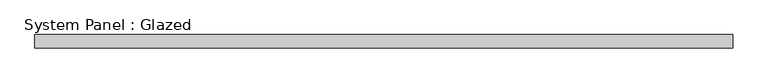
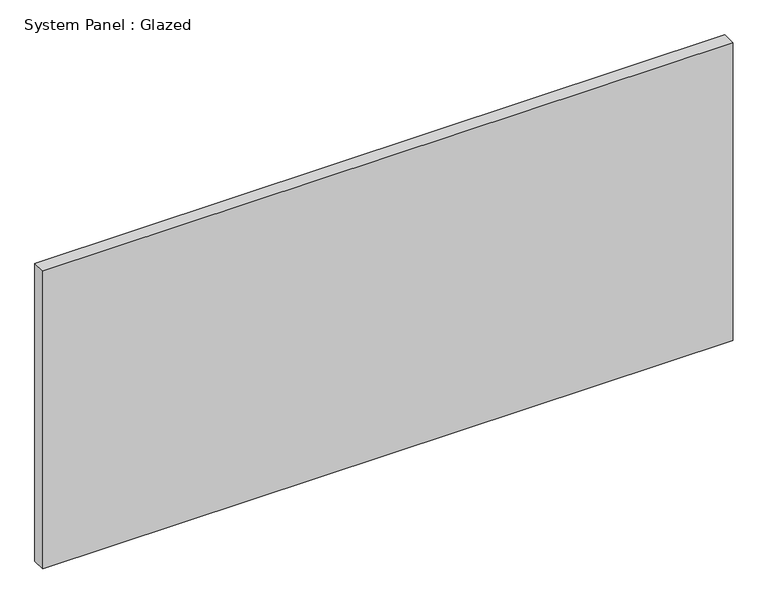
"""IFC4 building model written with IfcOpenShell, lengths in millimetres: plate geometry, System Panel : Glazed."""

from ifc_helpers import new_model, si_unit, origin, origin_with_axes, place, context, project, spatial, polyline, outline, extrude, source, transform, mapped, element, save


def system_panel_glazed_6728f955(model_context):
    return source(origin(), model_context, "Body", "SweptSolid", [
        extrude(outline(polyline([(654.05, 19.05), (-654.05, 19.05), (-654.05, 44.45), (654.05, 44.45), (654.05, 19.05)])), origin_with_axes(), (0.0, 0.0, 1.0), 596.9),
    ])


if __name__ == "__main__":
    model = new_model("IFC4")
    model_context = context("Model", 3, world=origin())
    ifc_project = project(units=[si_unit("LENGTHUNIT", "METRE", prefix="MILLI")], contexts=[model_context])
    site = spatial("IfcSite", under=ifc_project)
    building = spatial("IfcBuilding", under=site)
    placement = place(None, origin())
    system_panel_glazed_shape = system_panel_glazed_6728f955(model_context)
    element("IfcPlate", 1, ObjectType="System Panel : Glazed", at=placement, inside=building, context=model_context, shape_type="MappedRepresentation", body=[
        mapped(system_panel_glazed_shape, transform((0.0, 0.0, 0.0), x_axis=(1.0, 0.0, 0.0), y_axis=(0.0, 1.0, 0.0), z_axis=(0.0, 0.0, 1.0))),
    ])
    save(model, "model.ifc")
